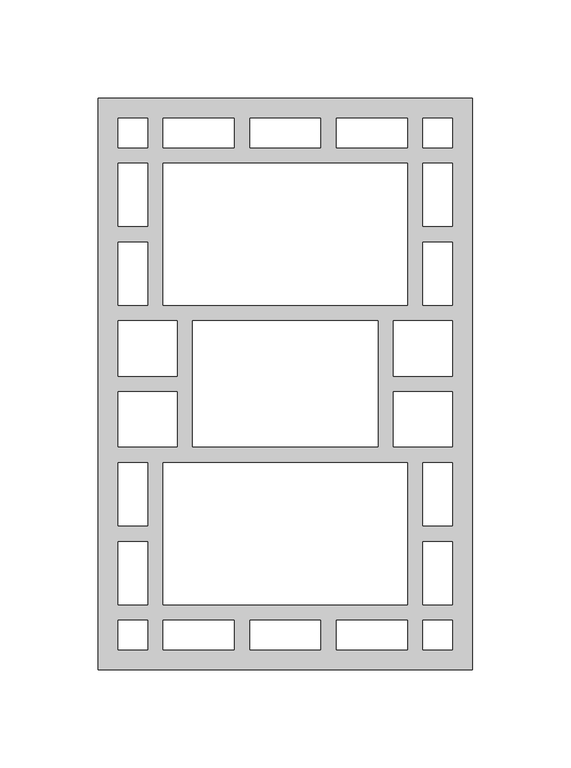
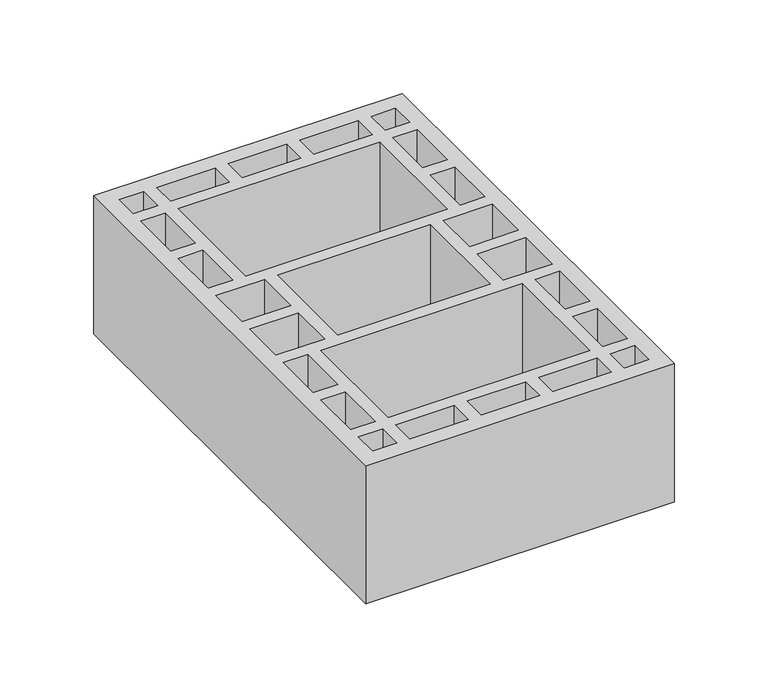
"""IFC4 building model written with IfcOpenShell, lengths in millimetres: proxy geometry."""

from ifc_helpers import new_model, si_unit, origin, origin_with_axes, place, context, project, spatial, polyline, outline, extrude, source, transform, mapped, element, save


def generic_models_cc6094f8(model_context):
    return source(origin(), model_context, "Body", "SweptSolid", [
        extrude(outline(polyline([(190.0, 0.0), (0.0, 0.0), (0.0, 290.0), (190.0, 290.0), (190.0, 0.0)]), holes=[polyline([(165.0, 10.0), (180.0, 10.0), (180.0, 25.0), (165.0, 25.0), (165.0, 10.0)]), polyline([(25.0, 10.0), (25.0, 25.0), (10.0, 25.0), (10.0, 10.0), (25.0, 10.0)]), polyline([(165.0, 280.0), (165.0, 265.0), (180.0, 265.0), (180.0, 280.0), (165.0, 280.0)]), polyline([(25.0, 280.0), (10.0, 280.0), (10.0, 265.0), (25.0, 265.0), (25.0, 280.0)]), polyline([(157.0, 25.0), (121.0, 25.0), (121.0, 10.0), (157.0, 10.0), (157.0, 25.0)]), polyline([(113.0, 25.0), (77.0, 25.0), (77.0, 10.0), (113.0, 10.0), (113.0, 25.0)]), polyline([(69.0, 25.0), (33.0, 25.0), (33.0, 10.0), (69.0, 10.0), (69.0, 25.0)]), polyline([(157.0, 265.0), (157.0, 280.0), (121.0, 280.0), (121.0, 265.0), (157.0, 265.0)]), polyline([(113.0, 265.0), (113.0, 280.0), (77.0, 280.0), (77.0, 265.0), (113.0, 265.0)]), polyline([(69.0, 265.0), (69.0, 280.0), (33.0, 280.0), (33.0, 265.0), (69.0, 265.0)]), polyline([(33.0, 33.0), (157.0, 33.0), (157.0, 105.0), (33.0, 105.0), (33.0, 33.0)]), polyline([(33.0, 257.0), (33.0, 185.0), (157.0, 185.0), (157.0, 257.0), (33.0, 257.0)]), polyline([(180.0, 33.0), (180.0, 65.0), (165.0, 65.0), (165.0, 33.0), (180.0, 33.0)]), polyline([(10.0, 33.0), (25.0, 33.0), (25.0, 65.0), (10.0, 65.0), (10.0, 33.0)]), polyline([(10.0, 105.0), (10.0, 73.0), (25.0, 73.0), (25.0, 105.0), (10.0, 105.0)]), polyline([(180.0, 105.0), (165.0, 105.0), (165.0, 73.0), (180.0, 73.0), (180.0, 105.0)]), polyline([(180.0, 257.0), (165.0, 257.0), (165.0, 225.0), (180.0, 225.0), (180.0, 257.0)]), polyline([(10.0, 257.0), (10.0, 225.0), (25.0, 225.0), (25.0, 257.0), (10.0, 257.0)]), polyline([(10.0, 185.0), (25.0, 185.0), (25.0, 217.0), (10.0, 217.0), (10.0, 185.0)]), polyline([(180.0, 185.0), (180.0, 217.0), (165.0, 217.0), (165.0, 185.0), (180.0, 185.0)]), polyline([(150.0, 177.0), (150.0, 149.0), (180.0, 149.0), (180.0, 177.0), (150.0, 177.0)]), polyline([(150.0, 113.0), (180.0, 113.0), (180.0, 141.0), (150.0, 141.0), (150.0, 113.0)]), polyline([(48.0, 177.0), (48.0, 113.0), (142.0, 113.0), (142.0, 177.0), (48.0, 177.0)]), polyline([(40.0, 177.0), (10.0, 177.0), (10.0, 149.0), (40.0, 149.0), (40.0, 177.0)]), polyline([(40.0, 113.0), (40.0, 141.0), (10.0, 141.0), (10.0, 113.0), (40.0, 113.0)])]), origin_with_axes(), (0.0, 0.0, 1.0), 90.0),
    ])


if __name__ == "__main__":
    model = new_model("IFC4")
    model_context = context("Model", 3, world=origin())
    ifc_project = project(units=[si_unit("LENGTHUNIT", "METRE", prefix="MILLI")], contexts=[model_context])
    site = spatial("IfcSite", under=ifc_project)
    building = spatial("IfcBuilding", under=site)
    placement = place(None, origin())
    generic_models_shape = generic_models_cc6094f8(model_context)
    element("IfcBuildingElementProxy", 1, Name="Generic Models", at=placement, inside=building, context=model_context, shape_type="MappedRepresentation", body=[
        mapped(generic_models_shape, transform((0.0, 0.0, 0.0), x_axis=(1.0, 0.0, 0.0), y_axis=(0.0, 1.0, 0.0), z_axis=(0.0, 0.0, 1.0))),
    ])
    save(model, "model.ifc")
